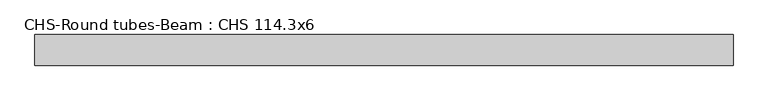
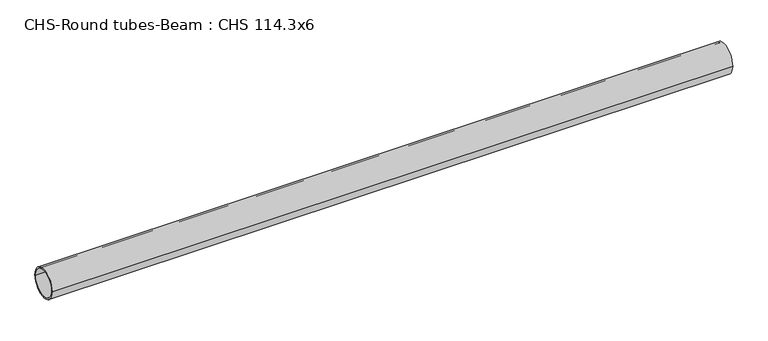
"""IFC4 building model written with IfcOpenShell, lengths in millimetres: beam geometry, CHS-Round tubes-Beam : CHS 114.3x6."""

from ifc_helpers import new_model, si_unit, point, frame, origin, origin_2d, place, context, project, spatial, circle_curve, trimmed, segment, composite_curve, outline, extrude, source, transform, mapped, element, save


def chs_round_tubes_beam_chs_114_3x6_ffeabcb6(model_context):
    return source(origin(), model_context, "Body", "SweptSolid", [
        extrude(outline(composite_curve([segment(trimmed(circle_curve(origin_2d(), 57.15), [point((57.15, 0.0))], [point((-57.15, 0.0))], False, "CARTESIAN"), True, "CONTINUOUS"), segment(trimmed(circle_curve(origin_2d(), 57.15), [point((-57.15, 0.0))], [point((57.15, 0.0))], False, "CARTESIAN"), True, "CONTINUOUS")], self_intersect=False), holes=[composite_curve([segment(trimmed(circle_curve(origin_2d(), 51.15), [point((51.15, 0.0))], [point((-51.15, 0.0))], True, "CARTESIAN"), True, "CONTINUOUS"), segment(trimmed(circle_curve(origin_2d(), 51.15), [point((-51.15, 0.0))], [point((51.15, 0.0))], True, "CARTESIAN"), True, "CONTINUOUS")], self_intersect=False)]), frame((-1265.1283164, 0.0, 0.0), z_axis=(1.0, 0.0, 0.0), x_axis=(0.0, 1.0, 0.0)), (0.0, 0.0, 1.0), 2602.2510547),
    ])


if __name__ == "__main__":
    model = new_model("IFC4")
    model_context = context("Model", 3, world=origin())
    ifc_project = project(units=[si_unit("LENGTHUNIT", "METRE", prefix="MILLI")], contexts=[model_context])
    site = spatial("IfcSite", under=ifc_project)
    building = spatial("IfcBuilding", under=site)
    placement = place(None, origin())
    chs_round_tubes_beam_chs_114_3x6_shape = chs_round_tubes_beam_chs_114_3x6_ffeabcb6(model_context)
    element("IfcBeam", 1, ObjectType="CHS-Round tubes-Beam : CHS 114.3x6", at=placement, inside=building, context=model_context, shape_type="MappedRepresentation", body=[
        mapped(chs_round_tubes_beam_chs_114_3x6_shape, transform((0.0, 0.0, 0.0), x_axis=(1.0, 0.0, 0.0), y_axis=(0.0, 1.0, 0.0), z_axis=(0.0, 0.0, 1.0))),
    ])
    save(model, "model.ifc")
